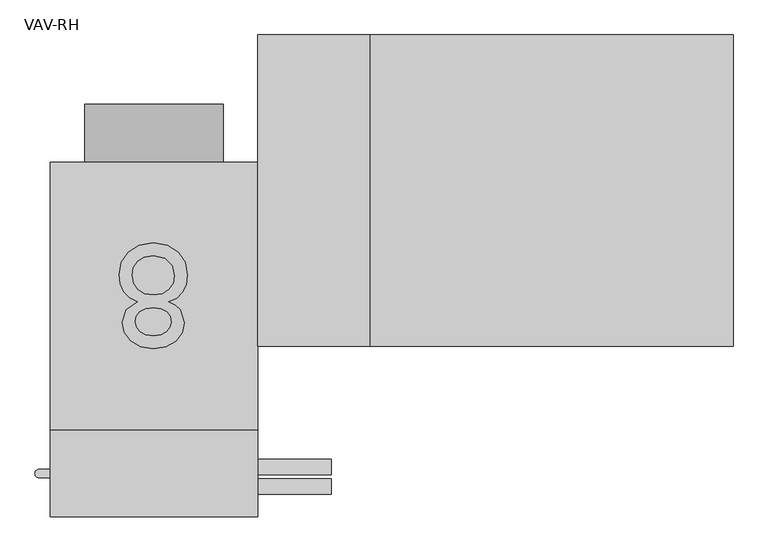
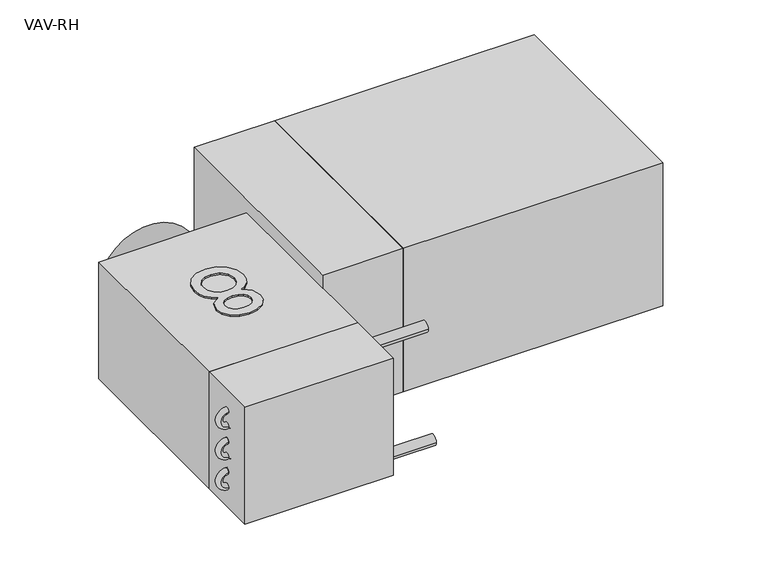
"""IFC4 building model written with IfcOpenShell, lengths in millimetres: proxy geometry, VAV-RH."""

from ifc_helpers import new_model, si_unit, point, frame, frame_2d, origin, origin_with_axes, origin_2d, place, context, project, spatial, polyline, circle_curve, ellipse_curve, trimmed, segment, composite_curve, outline, extrude, source, transform, mapped, element, save
from ifc_brep_helpers import plane_surface, revolved_surface, advanced_brep


def vav_rh_16bcab53(model_context):
    return source(origin(), model_context, "Body", "SolidModel", [
        extrude(outline(composite_curve([segment(trimmed(circle_curve(frame_2d((-476.25, -114.3)), 11.1125), [point((-487.3625, -114.3))], [point((-465.1375, -114.3))], False, "CARTESIAN"), True, "CONTINUOUS"), segment(trimmed(circle_curve(frame_2d((-476.25, -114.3)), 11.1125), [point((-465.1375, -114.3))], [point((-487.3625, -114.3))], False, "CARTESIAN"), True, "CONTINUOUS")], self_intersect=False)), frame((0.0, 0.0, 0.0), z_axis=(1.0, 0.0, 0.0), x_axis=(0.0, 1.0, 0.0)), (0.0, 0.0, 1.0), 260.35),
        extrude(outline(composite_curve([segment(trimmed(circle_curve(frame_2d((-447.675, 114.3)), 11.1125), [point((-458.7875, 114.3))], [point((-436.5625, 114.3))], False, "CARTESIAN"), True, "CONTINUOUS"), segment(trimmed(circle_curve(frame_2d((-447.675, 114.3)), 11.1125), [point((-436.5625, 114.3))], [point((-458.7875, 114.3))], False, "CARTESIAN"), True, "CONTINUOUS")], self_intersect=False)), frame((0.0, 0.0, 0.0), z_axis=(1.0, 0.0, 0.0), x_axis=(0.0, 1.0, 0.0)), (0.0, 0.0, 1.0), 260.35),
        advanced_brep(
        [(-152.4, -463.55, 82.55), (-152.4, -450.85, 82.55), (-152.4, -463.55, 49.53), (-152.4, -450.85, 49.53), (-152.4, -463.55, 16.51), (-152.4, -450.85, 16.51), (-152.4, -463.55, -16.51), (-152.4, -450.85, -16.51), (-152.4, -463.55, -49.53), (-152.4, -450.85, -49.53), (-152.4, -463.55, -82.55), (-152.4, -450.85, -82.55)],
        [
            (0, 1, circle_curve(frame((-152.4, -457.2, 82.55), z_axis=(1.0, 0.0, 0.0), x_axis=(0.0, 1.0, 0.0)), 6.35)),
            (1, 0, circle_curve(frame((-152.4, -457.2, 82.55), z_axis=(1.0, 0.0, 0.0), x_axis=(0.0, 1.0, 0.0)), 6.35)),
            (2, 0, circle_curve(frame((-152.4, -463.55, 66.04), z_axis=(0.0, 1.0, 0.0), x_axis=(0.0, 0.0, 1.0)), 16.51)),
            (1, 3, circle_curve(frame((-152.4, -450.85, 66.04), z_axis=(0.0, -1.0, 0.0), x_axis=(0.0, 0.0, 1.0)), 16.51)),
            (3, 2, circle_curve(frame((-152.4, -457.2, 49.53), z_axis=(-1.0, 0.0, 0.0), x_axis=(0.0, 1.0, 0.0)), 6.35)),
            (2, 3, circle_curve(frame((-152.4, -457.2, 49.53), z_axis=(-1.0, 0.0, 0.0), x_axis=(0.0, 1.0, 0.0)), 6.35)),
            (4, 2, circle_curve(frame((-152.4, -463.55, 33.02), z_axis=(0.0, -1.0, 0.0), x_axis=(0.0, 0.0, 1.0)), 16.51)),
            (3, 5, circle_curve(frame((-152.4, -450.85, 33.02), z_axis=(0.0, 1.0, 0.0), x_axis=(0.0, 0.0, 1.0)), 16.51)),
            (5, 4, circle_curve(frame((-152.4, -457.2, 16.51), z_axis=(1.0, 0.0, 0.0), x_axis=(0.0, 1.0, 0.0)), 6.35)),
            (4, 5, circle_curve(frame((-152.4, -457.2, 16.51), z_axis=(1.0, 0.0, 0.0), x_axis=(0.0, 1.0, 0.0)), 6.35)),
            (6, 4, circle_curve(frame((-152.4, -463.55, 0.0), z_axis=(0.0, 1.0, 0.0), x_axis=(0.0, 0.0, 1.0)), 16.51)),
            (5, 7, circle_curve(frame((-152.4, -450.85, 0.0), z_axis=(0.0, -1.0, 0.0), x_axis=(0.0, 0.0, 1.0)), 16.51)),
            (7, 6, circle_curve(frame((-152.4, -457.2, -16.51), z_axis=(-1.0, 0.0, 0.0), x_axis=(0.0, 1.0, 0.0)), 6.35)),
            (6, 7, circle_curve(frame((-152.4, -457.2, -16.51), z_axis=(-1.0, 0.0, 0.0), x_axis=(0.0, 1.0, 0.0)), 6.35)),
            (8, 6, circle_curve(frame((-152.4, -463.55, -33.02), z_axis=(0.0, -1.0, 0.0), x_axis=(0.0, 0.0, 1.0)), 16.51)),
            (7, 9, circle_curve(frame((-152.4, -450.85, -33.02), z_axis=(0.0, 1.0, 0.0), x_axis=(0.0, 0.0, 1.0)), 16.51)),
            (9, 8, circle_curve(frame((-152.4, -457.2, -49.53), z_axis=(1.0, 0.0, 0.0), x_axis=(0.0, 1.0, 0.0)), 6.35)),
            (8, 9, circle_curve(frame((-152.4, -457.2, -49.53), z_axis=(1.0, 0.0, 0.0), x_axis=(0.0, 1.0, 0.0)), 6.35)),
            (10, 11, circle_curve(frame((-152.4, -457.2, -82.55), z_axis=(1.0, 0.0, 0.0), x_axis=(0.0, 1.0, 0.0)), 6.35)),
            (11, 10, circle_curve(frame((-152.4, -457.2, -82.55), z_axis=(1.0, 0.0, 0.0), x_axis=(0.0, 1.0, 0.0)), 6.35)),
            (10, 8, circle_curve(frame((-152.4, -463.55, -66.04), z_axis=(0.0, 1.0, 0.0), x_axis=(0.0, 0.0, 1.0)), 16.51)),
            (9, 11, circle_curve(frame((-152.4, -450.85, -66.04), z_axis=(0.0, -1.0, 0.0), x_axis=(0.0, 0.0, 1.0)), 16.51)),
        ],
        [
            plane_surface(frame((-152.4, -457.2, 82.55), z_axis=(1.0, 0.0, 0.0), x_axis=(0.0, 1.0, 0.0))),
            revolved_surface(trimmed(ellipse_curve(frame((-152.4, -457.2, 82.55), z_axis=(1.0, 0.0, 0.0), x_axis=(0.0, 1.0, 0.0)), 6.35, 6.35), [point((-152.4, -450.85, 82.55))], [point((-152.4, -463.55, 82.55))], True, "CARTESIAN"), (-152.4, -457.2, 66.04), (0.0, -1.0, 0.0)),
            revolved_surface(trimmed(ellipse_curve(frame((-152.4, -457.2, 82.55), z_axis=(1.0, 0.0, 0.0), x_axis=(0.0, 1.0, 0.0)), 6.35, 6.35), [point((-152.4, -463.55, 82.55))], [point((-152.4, -450.85, 82.55))], True, "CARTESIAN"), (-152.4, -457.2, 66.04), (0.0, -1.0, 0.0)),
            revolved_surface(trimmed(ellipse_curve(frame((-152.4, -457.2, 49.53), z_axis=(-1.0, 0.0, 0.0), x_axis=(0.0, 1.0, 0.0)), 6.35, 6.35), [point((-152.4, -450.85, 49.53))], [point((-152.4, -463.55, 49.53))], True, "CARTESIAN"), (-152.4, -457.2, 33.02), (0.0, 1.0, 0.0)),
            revolved_surface(trimmed(ellipse_curve(frame((-152.4, -457.2, 49.53), z_axis=(-1.0, 0.0, 0.0), x_axis=(0.0, 1.0, 0.0)), 6.35, 6.35), [point((-152.4, -463.55, 49.53))], [point((-152.4, -450.85, 49.53))], True, "CARTESIAN"), (-152.4, -457.2, 33.02), (0.0, 1.0, 0.0)),
            revolved_surface(trimmed(ellipse_curve(frame((-152.4, -457.2, 16.51), z_axis=(1.0, 0.0, 0.0), x_axis=(0.0, 1.0, 0.0)), 6.35, 6.35), [point((-152.4, -450.85, 16.51))], [point((-152.4, -463.55, 16.51))], True, "CARTESIAN"), (-152.4, -457.2, 0.0), (0.0, -1.0, 0.0)),
            revolved_surface(trimmed(ellipse_curve(frame((-152.4, -457.2, 16.51), z_axis=(1.0, 0.0, 0.0), x_axis=(0.0, 1.0, 0.0)), 6.35, 6.35), [point((-152.4, -463.55, 16.51))], [point((-152.4, -450.85, 16.51))], True, "CARTESIAN"), (-152.4, -457.2, 0.0), (0.0, -1.0, 0.0)),
            revolved_surface(trimmed(ellipse_curve(frame((-152.4, -457.2, -16.51), z_axis=(-1.0, 0.0, 0.0), x_axis=(0.0, 1.0, 0.0)), 6.35, 6.35), [point((-152.4, -450.85, -16.51))], [point((-152.4, -463.55, -16.51))], True, "CARTESIAN"), (-152.4, -457.2, -33.02), (0.0, 1.0, 0.0)),
            revolved_surface(trimmed(ellipse_curve(frame((-152.4, -457.2, -16.51), z_axis=(-1.0, 0.0, 0.0), x_axis=(0.0, 1.0, 0.0)), 6.35, 6.35), [point((-152.4, -463.55, -16.51))], [point((-152.4, -450.85, -16.51))], True, "CARTESIAN"), (-152.4, -457.2, -33.02), (0.0, 1.0, 0.0)),
            plane_surface(frame((-152.4, -457.2, -82.55), z_axis=(1.0, 0.0, 0.0), x_axis=(0.0, 1.0, 0.0))),
            revolved_surface(trimmed(ellipse_curve(frame((-152.4, -457.2, -49.53), z_axis=(1.0, 0.0, 0.0), x_axis=(0.0, 1.0, 0.0)), 6.35, 6.35), [point((-152.4, -450.85, -49.53))], [point((-152.4, -463.55, -49.53))], True, "CARTESIAN"), (-152.4, -457.2, -66.04), (0.0, -1.0, 0.0)),
            revolved_surface(trimmed(ellipse_curve(frame((-152.4, -457.2, -49.53), z_axis=(1.0, 0.0, 0.0), x_axis=(0.0, 1.0, 0.0)), 6.35, 6.35), [point((-152.4, -463.55, -49.53))], [point((-152.4, -450.85, -49.53))], True, "CARTESIAN"), (-152.4, -457.2, -66.04), (0.0, -1.0, 0.0)),
        ],
        [
            (0, [[1, 2]]),
            (1, [[3, -2, 4, 5]]),
            (2, [[-4, -1, -3, 6]]),
            (3, [[7, -5, 8, 9]]),
            (4, [[-8, -6, -7, 10]]),
            (5, [[11, -9, 12, 13]]),
            (6, [[-12, -10, -11, 14]]),
            (7, [[15, -13, 16, 17]]),
            (8, [[-16, -14, -15, 18]]),
            (9, [[19, 20]]),
            (10, [[21, -17, 22, -19]]),
            (11, [[-22, -18, -21, -20]]),
        ],
    ),
        extrude(outline(polyline([(152.4, -520.7), (-152.4, -520.7), (-152.4, -393.7), (152.4, -393.7), (152.4, -520.7)])), frame((0.0, 0.0, -127.0), z_axis=(0.0, 0.0, 1.0), x_axis=(1.0, 0.0, 0.0)), (0.0, 0.0, 1.0), 254.0),
        extrude(outline(polyline([(850.9, 187.325), (850.9, -269.875), (317.5, -269.875), (317.5, 187.325), (850.9, 187.325)])), frame((0.0, 0.0, -155.575), z_axis=(0.0, 0.0, 1.0), x_axis=(1.0, 0.0, 0.0)), (0.0, 0.0, 1.0), 311.15),
        extrude(outline(polyline([(317.5, 187.325), (317.5, -269.875), (152.4, -269.875), (152.4, 187.325), (317.5, 187.325)])), frame((0.0, 0.0, -155.575), z_axis=(0.0, 0.0, 1.0), x_axis=(1.0, 0.0, 0.0)), (0.0, 0.0, 1.0), 311.15),
        extrude(outline(polyline([(21.1552749, -204.972085), (31.4011931, -210.0179544), (38.5915571, -216.8579108), (44.2541439, -235.3594321), (41.170557, -250.3195006), (31.9197963, -262.6818807), (17.5390684, -270.9795327), (-0.9344203, -273.7454167), (-19.5200394, -270.9141233), (-34.0876514, -262.420243), (-43.5066077, -249.8616346), (-46.6462598, -234.8361567), (-41.0584266, -216.8018456), (-24.1080429, -204.972085), (-35.8864104, -198.9030253), (-44.4597163, -189.9652955), (-49.6877977, -178.5887287), (-51.4304915, -165.2031584), (-47.9731365, -146.9072095), (-37.6010716, -131.7882896), (-21.5851082, -121.6404855), (-1.1960579, -118.2578841), (19.1929923, -121.6545018), (35.2089557, -131.8443548), (45.5810207, -147.1081099), (49.0383757, -165.7264337), (47.2256003, -179.6306073), (41.7872744, -191.0679114), (33.0037239, -199.6458894), (21.1552749, -204.972085)]), holes=[polyline([(25.1172168, -234.7987799), (23.421244, -226.4450627), (18.3333257, -219.773302), (10.002969, -215.4002151), (-1.4203188, -213.9425195), (-12.5772968, -215.3908709), (-20.7815068, -219.7359252), (-25.8273762, -226.183425), (-27.5093327, -233.9391133), (-25.771311, -241.9891439), (-20.5572459, -248.6468883), (-12.2409055, -253.1180893), (-1.1960579, -254.6084896), (9.9188711, -253.150794), (18.2211952, -248.7777071), (23.3932114, -242.3675841), (25.1172168, -234.7987799)]), polyline([(29.9014486, -166.3992163), (26.7057313, -151.9904558), (15.399246, -141.2072459), (-1.3455652, -137.3948112), (-14.3713837, -139.3991427), (-24.1454197, -145.4121371), (-30.2565283, -154.5180626), (-32.2935645, -165.8011873), (-30.1911189, -177.2758682), (-23.883782, -186.5826941), (-13.8854852, -192.7498679), (-0.7101594, -194.8055924), (12.1334472, -192.7779005), (21.809369, -186.6948245), (27.8784287, -177.5655385), (29.9014486, -166.3992163)])]), origin_with_axes(), (0.0, 0.0, 1.0), 130.175),
        extrude(outline(composite_curve([segment(trimmed(circle_curve(origin_2d(), 101.6), [point((0.0, 101.6))], [point((0.0, -101.6))], False, "CARTESIAN"), True, "CONTINUOUS"), segment(trimmed(circle_curve(origin_2d(), 101.6), [point((0.0, -101.6))], [point((0.0, 101.6))], False, "CARTESIAN"), True, "CONTINUOUS")], self_intersect=False)), frame((0.0, 0.0, 0.0), z_axis=(0.0, 1.0, 0.0), x_axis=(0.0, 0.0, 1.0)), (0.0, 0.0, 1.0), 85.725),
        extrude(outline(polyline([(152.4, -393.7), (-152.4, -393.7), (-152.4, 0.0), (152.4, 0.0), (152.4, -393.7)])), frame((0.0, 0.0, -127.0), z_axis=(0.0, 0.0, 1.0), x_axis=(1.0, 0.0, 0.0)), (0.0, 0.0, 1.0), 254.0),
    ])


if __name__ == "__main__":
    model = new_model("IFC4")
    model_context = context("Model", 3, world=origin())
    ifc_project = project(units=[si_unit("LENGTHUNIT", "METRE", prefix="MILLI")], contexts=[model_context])
    site = spatial("IfcSite", under=ifc_project)
    building = spatial("IfcBuilding", under=site)
    placement = place(None, origin())
    vav_rh_shape = vav_rh_16bcab53(model_context)
    element("IfcBuildingElementProxy", 1, Name="VAV-RH", ObjectType="VAV-RH", at=placement, inside=building, context=model_context, shape_type="MappedRepresentation", body=[
        mapped(vav_rh_shape, transform((0.0, 0.0, 0.0), x_axis=(1.0, 0.0, 0.0), y_axis=(0.0, 1.0, 0.0), z_axis=(0.0, 0.0, 1.0))),
    ])
    save(model, "model.ifc")
